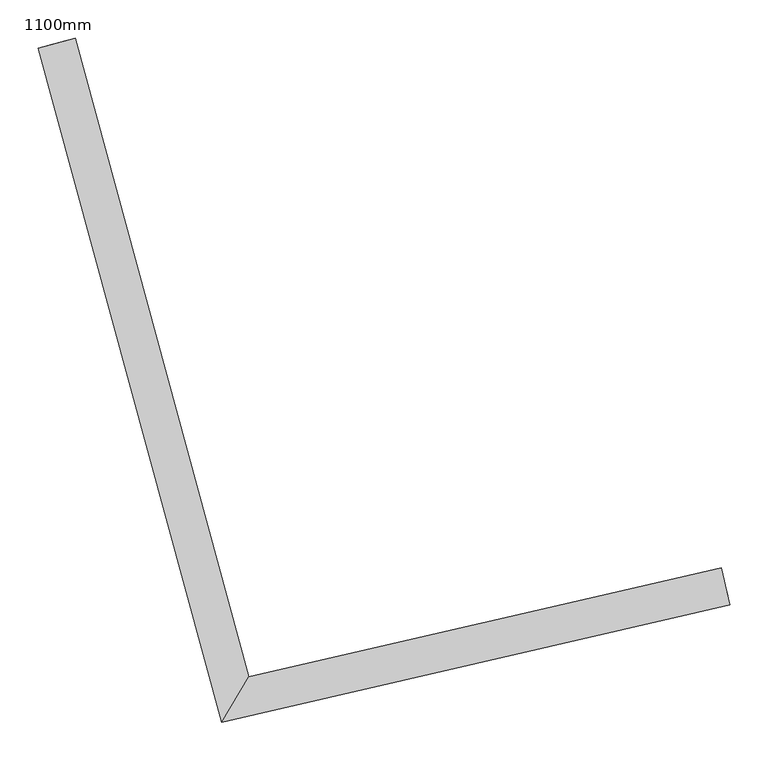
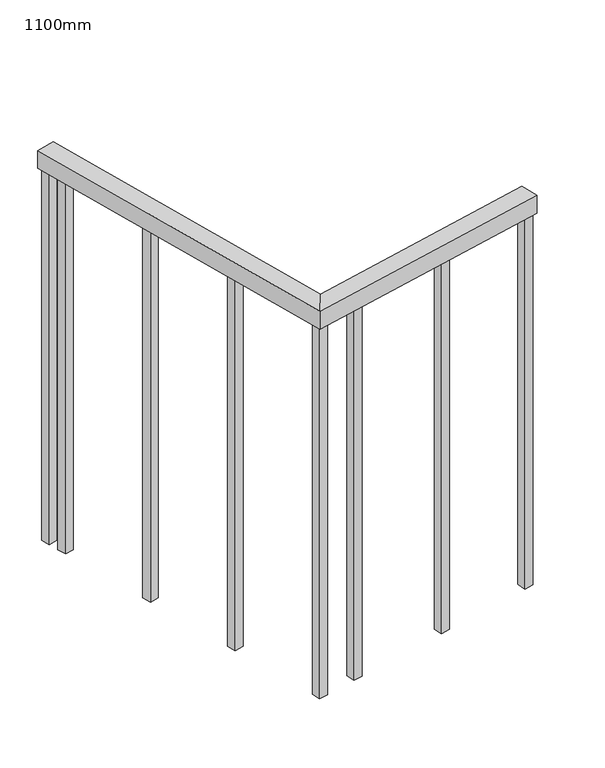
"""IFC4 building model written with IfcOpenShell, lengths in millimetres: railing geometry, 1100mm."""

from ifc_helpers import new_model, si_unit, frame, origin, place, context, project, spatial, polyline, outline, extrude, faceted_brep, source, transform, mapped, element, save


def railing_1100mm_4a4fb468(model_context):
    return source(origin(), model_context, "Body", "SolidModel", [
        faceted_brep([(241665.9545712, -62789.9467447, 1700.0), (241677.2021239, -62838.665248, 1700.0), (241677.2021239, -62838.665248, 1650.0), (241665.9545712, -62789.9467447, 1650.0), (241047.8078261, -62932.6571656, 1700.0), (241012.1773606, -62992.1983121, 1700.0), (241012.1773606, -62992.1983121, 1650.0), (241047.8078261, -62932.6571656, 1650.0), (240820.5111372, -62096.407706, 1700.0), (240820.5111372, -62096.407706, 1650.0), (240772.2616666, -62109.5221478, 1650.0), (240772.2616666, -62109.5221478, 1700.0)], [[[0, 1, 2, 3]], [[1, 0, 4, 5]], [[2, 1, 5, 6]], [[3, 2, 6, 7]], [[0, 3, 7, 4]], [[8, 9, 10, 11]], [[5, 4, 8, 11]], [[6, 5, 11, 10]], [[7, 6, 10, 9]], [[4, 7, 9, 8]]]),
        extrude(outline(polyline([(240828.9452809, -62175.0952308), (240804.8205456, -62181.6524518), (240798.2633247, -62157.5277165), (240822.38806, -62150.9704955), (240828.9452809, -62175.0952308)])), frame((0.0, 0.0, 600.0), z_axis=(0.0, 0.0, 1.0), x_axis=(1.0, 0.0, 0.0)), (0.0, 0.0, 1.0), 1050.0),
        extrude(outline(polyline([(240901.0747111, -62440.4673192), (240876.9499758, -62447.0245402), (240870.3927549, -62422.8998049), (240894.5174902, -62416.3425839), (240901.0747111, -62440.4673192)])), frame((0.0, 0.0, 600.0), z_axis=(0.0, 0.0, 1.0), x_axis=(1.0, 0.0, 0.0)), (0.0, 0.0, 1.0), 1050.0),
        extrude(outline(polyline([(240973.2041413, -62705.8394076), (240949.079406, -62712.3966286), (240942.5221851, -62688.2718933), (240966.6469204, -62681.7146723), (240973.2041413, -62705.8394076)])), frame((0.0, 0.0, 600.0), z_axis=(0.0, 0.0, 1.0), x_axis=(1.0, 0.0, 0.0)), (0.0, 0.0, 1.0), 1050.0),
        extrude(outline(polyline([(241145.0425496, -62923.0375622), (241150.6663259, -62947.3968139), (241126.3070743, -62953.0205902), (241120.6832979, -62928.6613386), (241145.0425496, -62923.0375622)])), frame((0.0, 0.0, 600.0), z_axis=(0.0, 0.0, 1.0), x_axis=(1.0, 0.0, 0.0)), (0.0, 0.0, 1.0), 1050.0),
        extrude(outline(polyline([(241412.9943174, -62861.1760223), (241418.6180937, -62885.5352739), (241394.2588421, -62891.1590503), (241388.6350658, -62866.7997986), (241412.9943174, -62861.1760223)])), frame((0.0, 0.0, 600.0), z_axis=(0.0, 0.0, 1.0), x_axis=(1.0, 0.0, 0.0)), (0.0, 0.0, 1.0), 1050.0),
        extrude(outline(polyline([(241039.360331, -62947.4362249), (241044.9841074, -62971.7954765), (241020.6248557, -62977.4192528), (241015.0010794, -62953.0600012), (241039.360331, -62947.4362249)])), frame((0.0, 0.0, 600.0), z_axis=(0.0, 0.0, 1.0), x_axis=(1.0, 0.0, 0.0)), (0.0, 0.0, 1.0), 1050.0),
        extrude(outline(polyline([(240815.0059905, -62123.8110517), (240790.8812552, -62130.3682727), (240784.3240343, -62106.2435373), (240808.4487696, -62099.6863164), (240815.0059905, -62123.8110517)])), frame((0.0, 0.0, 600.0), z_axis=(0.0, 0.0, 1.0), x_axis=(1.0, 0.0, 0.0)), (0.0, 0.0, 1.0), 1050.0),
        extrude(outline(polyline([(241668.7664594, -62802.1263705), (241674.3902357, -62826.4856221), (241650.0309841, -62832.1093985), (241644.4072078, -62807.7501469), (241668.7664594, -62802.1263705)])), frame((0.0, 0.0, 600.0), z_axis=(0.0, 0.0, 1.0), x_axis=(1.0, 0.0, 0.0)), (0.0, 0.0, 1.0), 1050.0),
    ])


if __name__ == "__main__":
    model = new_model("IFC4")
    model_context = context("Model", 3, world=origin())
    ifc_project = project(units=[si_unit("LENGTHUNIT", "METRE", prefix="MILLI")], contexts=[model_context])
    site = spatial("IfcSite", under=ifc_project)
    building = spatial("IfcBuilding", under=site)
    placement = place(None, origin())
    railing_1100mm_shape = railing_1100mm_4a4fb468(model_context)
    element("IfcRailing", 1, ObjectType="1100mm", at=placement, inside=building, context=model_context, shape_type="MappedRepresentation", body=[
        mapped(railing_1100mm_shape, transform((0.0, 0.0, 0.0), x_axis=(1.0, 0.0, 0.0), y_axis=(0.0, 1.0, 0.0), z_axis=(0.0, 0.0, 1.0))),
    ])
    save(model, "model.ifc")
